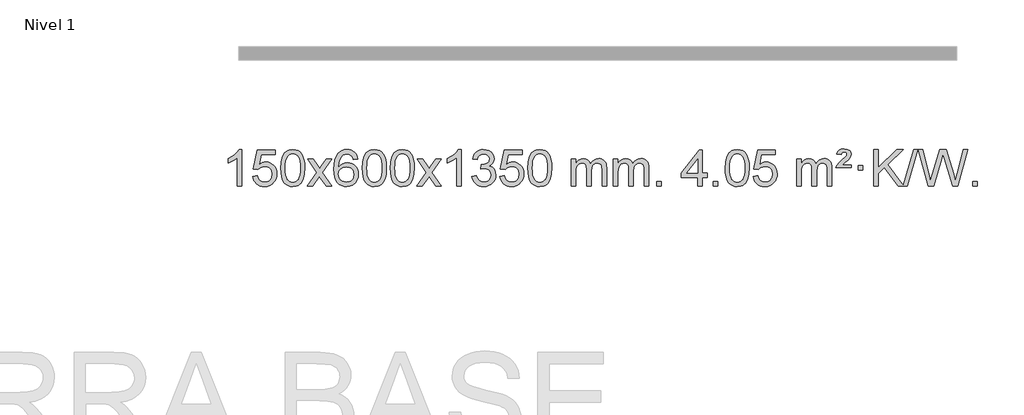
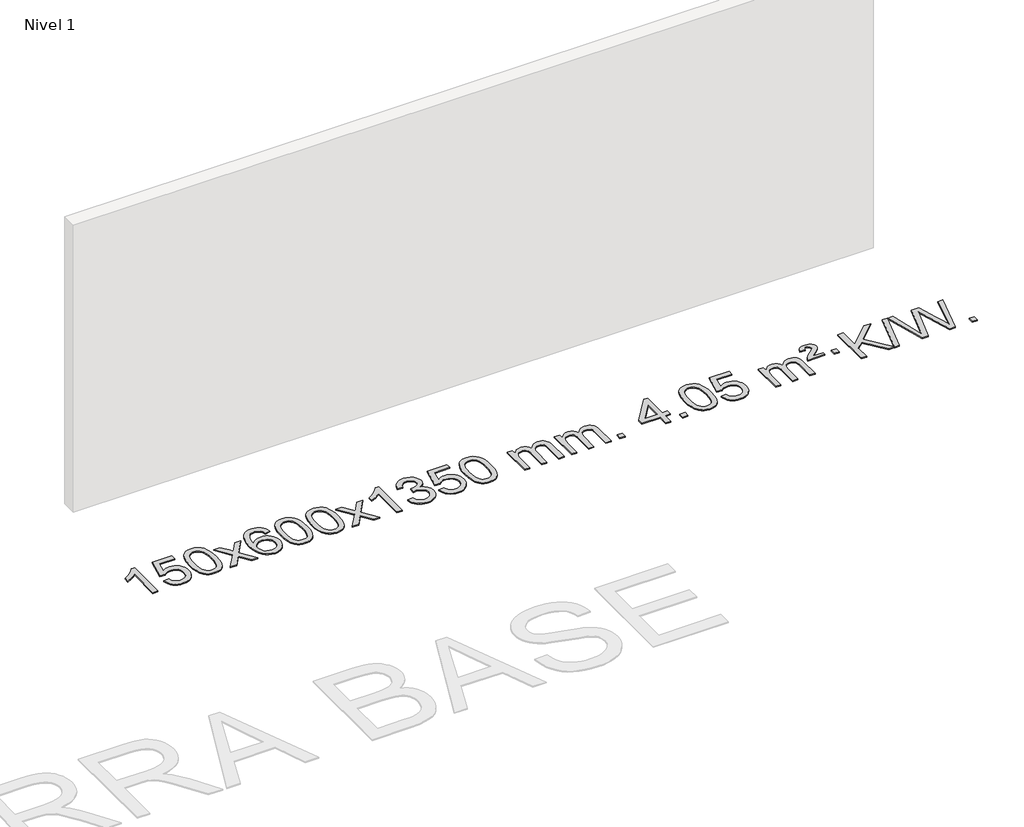
# One storey, part 5 of 21: 1 proxy.
"""IFC4 building model written with IfcOpenShell, lengths in millimetres."""

from ifc_helpers import new_model, si_unit, origin, origin_with_axes, place, context, project, spatial, polyline, outline, extrude, element, save

model = new_model("IFC4")

# Units and contexts
model_context = context("Model", 3, world=origin())
ifc_project = project(units=[si_unit("LENGTHUNIT", "METRE", prefix="MILLI")], contexts=[model_context])

# Site, building, storey
site = spatial("IfcSite", under=ifc_project)
building = spatial("IfcBuilding", under=site)
storey = spatial("IfcBuildingStorey", under=building, Name="Nivel 1", Elevation=0.0)

# Proxy
placement = place(None, origin())
element("IfcBuildingElementProxy", 1, Name="Texto de modelo 1", ObjectType="Texto de modelo 1", at=placement, inside=storey, context=model_context, shape_type="SweptSolid", body=[
    extrude(outline(polyline([(-196.9800865, -42870.579453), (-247.2082415, -42870.579453), (-247.2082415, -42557.4382987), (-268.1775153, -42574.3976587), (-294.7876462, -42591.3324932), (-347.6645517, -42616.6918254), (-347.6645517, -42569.2105225), (-308.2153391, -42547.7507395), (-274.0391017, -42522.219729), (-247.0978769, -42495.0700378), (-229.353702, -42468.7542124), (-196.9800865, -42468.7542124), (-196.9800865, -42870.579453)])), origin_with_axes(), (0.0, 0.0, 1.0), 10.0),
    extrude(outline(polyline([(-77.6882182, -42763.8446235), (-27.4600631, -42757.5661041), (-18.2384877, -42787.7201649), (-2.1497818, -42809.3148381), (20.7324783, -42822.3010725), (50.3347162, -42826.6298173), (69.4645799, -42825.1245668), (86.3381008, -42820.6088153), (100.9552787, -42813.0825628), (113.3161137, -42802.5458094), (123.1446944, -42789.519721), (130.1651091, -42774.5254641), (135.7814409, -42738.6324441), (130.5207284, -42704.8363514), (123.9448377, -42690.9181493), (114.7385908, -42678.9865099), (102.8713308, -42669.4154467), (88.3124008, -42662.5789729), (51.1195311, -42657.1097939), (26.7534803, -42659.2925604), (7.0227426, -42665.8408599), (-8.7348695, -42675.8717757), (-21.1815437, -42688.5023908), (-71.4096988, -42682.2238715), (-27.4600631, -42475.0327318), (167.1740378, -42475.0327318), (167.1740378, -42525.2608869), (13.1541092, -42525.2608869), (-8.3301993, -42635.919791), (9.3955815, -42623.2155994), (27.5505579, -42614.1411769), (46.1347301, -42608.6965234), (65.1480978, -42606.8816388), (89.6091848, -42609.1318504), (112.0775777, -42615.882485), (132.5532764, -42627.1335427), (151.036281, -42642.8850234), (166.3371063, -42662.1743027), (177.2662672, -42684.038756), (183.8237638, -42708.4783832), (186.009596, -42735.4931844), (184.0414273, -42761.5147042), (178.1369213, -42785.7213394), (168.2960779, -42808.1130902), (154.5188972, -42828.6899565), (133.6477253, -42849.7634634), (109.2939373, -42864.8159684), (81.457533, -42873.8474714), (50.1385124, -42876.8579724), (24.2181602, -42874.9235262), (0.8055369, -42869.1201877), (-20.0993575, -42859.447957), (-38.4965229, -42845.9068338), (-53.8034796, -42829.1712688), (-65.4377477, -42809.915712), (-73.3993272, -42788.1401636), (-77.6882182, -42763.8446235)])), origin_with_axes(), (0.0, 0.0, 1.0), 10.0),
    extrude(outline(polyline([(229.9592317, -42672.9041943), (233.6503144, -42608.5861588), (244.7235624, -42557.2911459), (263.0686112, -42518.2343407), (274.9266742, -42503.0009605), (288.5750962, -42490.6309284), (304.0598626, -42481.0598651), (321.4269584, -42474.2233914), (361.8081387, -42468.7542124), (392.7592773, -42471.991574), (420.4730542, -42481.7036586), (443.6496199, -42497.5103217), (460.9891246, -42519.0314184), (474.0857237, -42546.0830078), (484.5335723, -42578.4811488), (491.3761774, -42619.6226186), (493.6570458, -42672.9041943), (490.0027513, -42736.8543477), (479.0398679, -42788.0267333), (460.8051836, -42827.1203266), (448.9747118, -42842.3996922), (435.3354868, -42854.8341036), (419.8323264, -42864.4695462), (402.4100483, -42871.3520052), (361.8081387, -42876.8579724), (334.1434127, -42874.4667394), (309.6179464, -42867.2930405), (288.2317397, -42855.3368757), (269.9847927, -42838.5982449), (252.4736098, -42808.3399508), (239.9656219, -42770.6381776), (232.4608292, -42725.4929255), (229.9592317, -42672.9041943)]), holes=[polyline([(280.1873867, -42672.8060924), (281.6589147, -42716.4706195), (286.0734987, -42751.8148822), (293.4311386, -42778.8388804), (303.7318344, -42797.5426142), (316.1907713, -42810.2682656), (330.0231344, -42819.3580165), (345.2289235, -42824.8118671), (361.8081387, -42826.6298173), (378.387354, -42824.8057357), (393.5931431, -42819.3334911), (407.4255061, -42810.2130833), (419.8844431, -42797.4445124), (430.1851389, -42778.7101217), (437.5427788, -42751.6922549), (441.9573628, -42716.3909118), (443.4288907, -42672.8060924), (442.0064137, -42630.2973278), (437.7389826, -42595.5753989), (430.6265973, -42568.6403055), (420.669258, -42549.4920476), (408.4187875, -42536.1440625), (394.427009, -42526.6097875), (378.6939223, -42520.8892225), (361.2195276, -42518.9823675), (344.7261514, -42520.6623619), (329.7778797, -42525.7023452), (316.3747123, -42534.1023175), (304.5166494, -42545.8622786), (293.872597, -42566.708925), (286.2697024, -42594.8151094), (281.7079657, -42630.1808319), (280.1873867, -42672.8060924)])]), origin_with_axes(), (0.0, 0.0, 1.0), 10.0),
    extrude(outline(polyline([(518.7711234, -42870.579453), (626.0945641, -42722.2494325), (525.0496427, -42575.4890419), (585.4803918, -42575.4890419), (634.2370189, -42646.122385), (656.9966517, -42679.4770192), (676.7151266, -42652.2047007), (732.2407824, -42575.4890419), (792.6715315, -42575.4890419), (686.5253132, -42722.2494325), (788.7474569, -42870.579453), (728.3167078, -42870.579453), (666.8068382, -42781.4048574), (655.5251237, -42765.1199477), (579.2018724, -42870.579453), (518.7711234, -42870.579453)])), origin_with_axes(), (0.0, 0.0, 1.0), 10.0),
    extrude(outline(polyline([(1077.5593486, -42575.4890419), (1027.3311935, -42581.7675613), (1019.2377896, -42556.874213), (1008.2994316, -42539.8780648), (985.5152734, -42524.2062918), (957.9731747, -42518.9823675), (934.6249307, -42522.0235253), (912.6501129, -42531.1469988), (893.7777665, -42550.3627017), (878.3635109, -42576.8134171), (867.9524504, -42614.227016), (864.0896895, -42666.3313693), (884.2373601, -42642.8237098), (908.3826817, -42626.2567573), (935.1767537, -42616.434308), (963.2706754, -42613.1601582), (987.4037343, -42615.398107), (1009.6728577, -42622.1119534), (1030.0780457, -42633.3016975), (1048.6192983, -42648.9673391), (1064.0274225, -42668.1769106), (1075.0332255, -42689.9984443), (1081.6367073, -42714.4319401), (1083.8378679, -42741.4773982), (1079.6930641, -42777.4439945), (1067.2586527, -42810.786366), (1047.5647032, -42839.0642287), (1021.6412853, -42859.8372987), (990.6656213, -42872.602804), (955.8149336, -42876.8579724), (925.8724049, -42874.0375437), (898.8300126, -42865.5762579), (874.6877566, -42851.4741147), (853.4456371, -42831.7311143), (836.1275922, -42805.5133908), (823.7575601, -42771.9870783), (816.3355408, -42731.1521768), (813.8615344, -42683.0086864), (816.6083866, -42629.0342663), (824.8489433, -42582.9693092), (838.5832045, -42544.8138149), (857.8111701, -42514.5677835), (878.6516851, -42494.5243462), (902.8154009, -42480.2076052), (930.3023173, -42471.6175606), (961.1124344, -42468.7542124), (984.2460805, -42470.5261773), (1005.1846974, -42475.8420722), (1023.928285, -42484.7018969), (1040.4768434, -42497.1056515), (1054.3827829, -42512.6364031), (1065.1985135, -42530.8772186), (1072.9240354, -42551.8280983), (1077.5593486, -42575.4890419)]), holes=[polyline([(864.0896895, -42740.6925832), (866.9959573, -42762.9494439), (875.7147605, -42784.2007605), (889.252818, -42802.472233), (906.6168481, -42815.7895612), (927.5738591, -42823.9197533), (951.890859, -42826.6298173), (985.0370268, -42821.0134855), (998.9521632, -42813.9930708), (1011.0953348, -42804.1644901), (1020.9453752, -42791.9262824), (1027.9811183, -42777.6769865), (1033.6097129, -42743.1451299), (1028.0546947, -42709.9989621), (1021.1109221, -42696.3781312), (1011.3896404, -42684.725469), (999.2096806, -42675.3904634), (984.889874, -42668.7226022), (949.8307198, -42663.3883133), (916.733603, -42668.7226022), (889.0566142, -42684.725469), (878.1335847, -42696.2248471), (870.3314207, -42709.3858254), (865.6501223, -42724.2084042), (864.0896895, -42740.6925832)])]), origin_with_axes(), (0.0, 0.0, 1.0), 10.0),
    extrude(outline(polyline([(1127.7875036, -42672.9041943), (1131.4785863, -42608.5861588), (1142.5518344, -42557.2911459), (1160.8968832, -42518.2343407), (1172.7549462, -42503.0009605), (1186.4033682, -42490.6309284), (1201.8881345, -42481.0598651), (1219.2552304, -42474.2233914), (1259.6364107, -42468.7542124), (1290.5875492, -42471.991574), (1318.3013262, -42481.7036586), (1341.4778919, -42497.5103217), (1358.8173966, -42519.0314184), (1371.9139956, -42546.0830078), (1382.3618443, -42578.4811488), (1389.2044494, -42619.6226186), (1391.4853178, -42672.9041943), (1387.8310233, -42736.8543477), (1376.8681398, -42788.0267333), (1358.6334556, -42827.1203266), (1346.8029838, -42842.3996922), (1333.1637588, -42854.8341036), (1317.6605984, -42864.4695462), (1300.2383202, -42871.3520052), (1259.6364107, -42876.8579724), (1231.9716847, -42874.4667394), (1207.4462183, -42867.2930405), (1186.0600117, -42855.3368757), (1167.8130647, -42838.5982449), (1150.3018817, -42808.3399508), (1137.7938939, -42770.6381776), (1130.2891012, -42725.4929255), (1127.7875036, -42672.9041943)]), holes=[polyline([(1178.0156587, -42672.8060924), (1179.4871867, -42716.4706195), (1183.9017706, -42751.8148822), (1191.2594105, -42778.8388804), (1201.5601064, -42797.5426142), (1214.0190433, -42810.2682656), (1227.8514063, -42819.3580165), (1243.0571955, -42824.8118671), (1259.6364107, -42826.6298173), (1276.215626, -42824.8057357), (1291.4214151, -42819.3334911), (1305.2537781, -42810.2130833), (1317.712715, -42797.4445124), (1328.0134109, -42778.7101217), (1335.3710508, -42751.6922549), (1339.7856347, -42716.3909118), (1341.2571627, -42672.8060924), (1339.8346857, -42630.2973278), (1335.5672545, -42595.5753989), (1328.4548693, -42568.6403055), (1318.4975299, -42549.4920476), (1306.2470595, -42536.1440625), (1292.2552809, -42526.6097875), (1276.5221943, -42520.8892225), (1259.0477995, -42518.9823675), (1242.5544234, -42520.6623619), (1227.6061517, -42525.7023452), (1214.2029843, -42534.1023175), (1202.3449213, -42545.8622786), (1191.7008689, -42566.708925), (1184.0979744, -42594.8151094), (1179.5362376, -42630.1808319), (1178.0156587, -42672.8060924)])]), origin_with_axes(), (0.0, 0.0, 1.0), 10.0),
    extrude(outline(polyline([(1435.4349535, -42672.9041943), (1439.1260362, -42608.5861588), (1450.1992842, -42557.2911459), (1468.544333, -42518.2343407), (1480.402396, -42503.0009605), (1494.050818, -42490.6309284), (1509.5355843, -42481.0598651), (1526.9026802, -42474.2233914), (1567.2838605, -42468.7542124), (1598.2349991, -42471.991574), (1625.948776, -42481.7036586), (1649.1253417, -42497.5103217), (1666.4648464, -42519.0314184), (1679.5614455, -42546.0830078), (1690.0092941, -42578.4811488), (1696.8518992, -42619.6226186), (1699.1327676, -42672.9041943), (1695.4784731, -42736.8543477), (1684.5155897, -42788.0267333), (1666.2809054, -42827.1203266), (1654.4504336, -42842.3996922), (1640.8112086, -42854.8341036), (1625.3080482, -42864.4695462), (1607.8857701, -42871.3520052), (1567.2838605, -42876.8579724), (1539.6191345, -42874.4667394), (1515.0936682, -42867.2930405), (1493.7074615, -42855.3368757), (1475.4605145, -42838.5982449), (1457.9493316, -42808.3399508), (1445.4413437, -42770.6381776), (1437.936551, -42725.4929255), (1435.4349535, -42672.9041943)]), holes=[polyline([(1485.6631085, -42672.8060924), (1487.1346365, -42716.4706195), (1491.5492205, -42751.8148822), (1498.9068604, -42778.8388804), (1509.2075562, -42797.5426142), (1521.6664931, -42810.2682656), (1535.4988562, -42819.3580165), (1550.7046453, -42824.8118671), (1567.2838605, -42826.6298173), (1583.8630758, -42824.8057357), (1599.0688649, -42819.3334911), (1612.9012279, -42810.2130833), (1625.3601648, -42797.4445124), (1635.6608607, -42778.7101217), (1643.0185006, -42751.6922549), (1647.4330846, -42716.3909118), (1648.9046125, -42672.8060924), (1647.4821355, -42630.2973278), (1643.2147043, -42595.5753989), (1636.1023191, -42568.6403055), (1626.1449798, -42549.4920476), (1613.8945093, -42536.1440625), (1599.9027308, -42526.6097875), (1584.1696441, -42520.8892225), (1566.6952493, -42518.9823675), (1550.2018732, -42520.6623619), (1535.2536015, -42525.7023452), (1521.8504341, -42534.1023175), (1509.9923712, -42545.8622786), (1499.3483188, -42566.708925), (1491.7454242, -42594.8151094), (1487.1836875, -42630.1808319), (1485.6631085, -42672.8060924)])]), origin_with_axes(), (0.0, 0.0, 1.0), 10.0),
    extrude(outline(polyline([(1724.2468452, -42870.579453), (1831.5702859, -42722.2494325), (1730.5253645, -42575.4890419), (1790.9561136, -42575.4890419), (1839.7127407, -42646.122385), (1862.4723735, -42679.4770192), (1882.1908484, -42652.2047007), (1937.7165042, -42575.4890419), (1998.1472533, -42575.4890419), (1892.001035, -42722.2494325), (1994.2231787, -42870.579453), (1933.7924296, -42870.579453), (1872.28256, -42781.4048574), (1861.0008455, -42765.1199477), (1784.6775942, -42870.579453), (1724.2468452, -42870.579453)])), origin_with_axes(), (0.0, 0.0, 1.0), 10.0),
    extrude(outline(polyline([(2213.9713571, -42870.579453), (2163.7432021, -42870.579453), (2163.7432021, -42557.4382987), (2142.7739283, -42574.3976587), (2116.1637973, -42591.3324932), (2063.2868919, -42616.6918254), (2063.2868919, -42569.2105225), (2102.7361045, -42547.7507395), (2136.9123419, -42522.219729), (2163.8535667, -42495.0700378), (2181.5977416, -42468.7542124), (2213.9713571, -42468.7542124), (2213.9713571, -42870.579453)])), origin_with_axes(), (0.0, 0.0, 1.0), 10.0),
    extrude(outline(polyline([(2333.2632254, -42763.8446235), (2383.4913805, -42757.5661041), (2394.7363068, -42789.1303793), (2411.2051575, -42810.4430095), (2433.7072728, -42822.5831154), (2463.0519933, -42826.6298173), (2497.4857481, -42821.0625364), (2511.7595695, -42814.1034354), (2524.0713536, -42804.3606939), (2541.0675018, -42779.4428201), (2546.7328845, -42749.2274455), (2541.1165527, -42720.5449126), (2524.2675573, -42697.2825078), (2498.7610723, -42681.8682522), (2467.1722717, -42676.730167), (2431.953702, -42682.2238715), (2437.5455083, -42631.9957164), (2445.5898613, -42632.5843276), (2475.6826085, -42628.979084), (2502.5870451, -42618.1633534), (2513.6602931, -42609.9841103), (2521.569756, -42599.8673555), (2526.3154338, -42587.8130888), (2527.8973263, -42573.8213102), (2523.3110641, -42552.1285352), (2509.5522775, -42534.5315131), (2488.5584783, -42522.8696539), (2462.2671784, -42518.9823675), (2435.9268276, -42522.9064421), (2414.3934681, -42534.6786659), (2398.6726442, -42554.299039), (2389.7698999, -42581.7675613), (2339.5417448, -42575.4890419), (2345.4953018, -42551.5092672), (2354.330601, -42530.3867093), (2366.0476426, -42512.1213683), (2380.6464264, -42496.713244), (2397.6671001, -42484.4811677), (2416.649811, -42475.7439703), (2437.5945593, -42470.5016519), (2460.5013448, -42468.7542124), (2492.0778827, -42472.2000404), (2521.0792467, -42482.5375245), (2545.5311366, -42498.8469596), (2563.4592525, -42520.2086408), (2574.4589242, -42544.8199463), (2578.1254814, -42570.8782543), (2574.6428652, -42595.1584659), (2564.1950165, -42617.1823347), (2546.9290882, -42635.9443165), (2522.9922331, -42650.4388671), (2554.4338809, -42663.1430586), (2577.733074, -42684.77452), (2592.1540482, -42714.1560286), (2596.9610396, -42750.1103623), (2594.5575439, -42775.5923218), (2587.3470568, -42799.0631931), (2575.3295783, -42820.5229762), (2558.5051083, -42839.971671), (2538.0079498, -42856.1094278), (2514.9724056, -42867.636397), (2489.3984756, -42874.5525785), (2461.2861598, -42876.8579724), (2435.8777766, -42874.8898037), (2412.7257364, -42868.9852977), (2391.8300391, -42859.1444543), (2373.1906846, -42845.3672736), (2357.5618312, -42828.4630959), (2345.6976369, -42809.2412617), (2337.5981016, -42787.7017708), (2333.2632254, -42763.8446235)])), origin_with_axes(), (0.0, 0.0, 1.0), 10.0),
    extrude(outline(polyline([(2640.9106753, -42763.8446235), (2691.1388303, -42757.5661041), (2700.3604057, -42787.7201649), (2716.4491116, -42809.3148381), (2739.3313717, -42822.3010725), (2768.9336096, -42826.6298173), (2788.0634733, -42825.1245668), (2804.9369942, -42820.6088153), (2819.5541721, -42813.0825628), (2831.9150072, -42802.5458094), (2841.7435878, -42789.519721), (2848.7640025, -42774.5254641), (2854.3803343, -42738.6324441), (2849.1196218, -42704.8363514), (2842.5437311, -42690.9181493), (2833.3374842, -42678.9865099), (2821.4702242, -42669.4154467), (2806.9112942, -42662.5789729), (2769.7184245, -42657.1097939), (2745.3523737, -42659.2925604), (2725.621636, -42665.8408599), (2709.8640239, -42675.8717757), (2697.4173497, -42688.5023908), (2647.1891946, -42682.2238715), (2691.1388303, -42475.0327318), (2885.7729313, -42475.0327318), (2885.7729313, -42525.2608869), (2731.7530026, -42525.2608869), (2710.2686941, -42635.919791), (2727.9944749, -42623.2155994), (2746.1494514, -42614.1411769), (2764.7336235, -42608.6965234), (2783.7469913, -42606.8816388), (2808.2080783, -42609.1318504), (2830.6764711, -42615.882485), (2851.1521698, -42627.1335427), (2869.6351744, -42642.8850234), (2884.9359997, -42662.1743027), (2895.8651607, -42684.038756), (2902.4226572, -42708.4783832), (2904.6084894, -42735.4931844), (2902.6403207, -42761.5147042), (2896.7358147, -42785.7213394), (2886.8949713, -42808.1130902), (2873.1177906, -42828.6899565), (2852.2466188, -42849.7634634), (2827.8928307, -42864.8159684), (2800.0564264, -42873.8474714), (2768.7374059, -42876.8579724), (2742.8170536, -42874.9235262), (2719.4044303, -42869.1201877), (2698.4995359, -42859.447957), (2680.1023705, -42845.9068338), (2664.7954138, -42829.1712688), (2653.1611457, -42809.915712), (2645.1995662, -42788.1401636), (2640.9106753, -42763.8446235)])), origin_with_axes(), (0.0, 0.0, 1.0), 10.0),
    extrude(outline(polyline([(2948.5581251, -42672.9041943), (2952.2492078, -42608.5861588), (2963.3224558, -42557.2911459), (2981.6675047, -42518.2343407), (2993.5255676, -42503.0009605), (3007.1739897, -42490.6309284), (3022.658756, -42481.0598651), (3040.0258518, -42474.2233914), (3080.4070322, -42468.7542124), (3111.3581707, -42471.991574), (3139.0719477, -42481.7036586), (3162.2485134, -42497.5103217), (3179.5880181, -42519.0314184), (3192.6846171, -42546.0830078), (3203.1324658, -42578.4811488), (3209.9750709, -42619.6226186), (3212.2559392, -42672.9041943), (3208.6016448, -42736.8543477), (3197.6387613, -42788.0267333), (3179.4040771, -42827.1203266), (3167.5736052, -42842.3996922), (3153.9343803, -42854.8341036), (3138.4312199, -42864.4695462), (3121.0089417, -42871.3520052), (3080.4070322, -42876.8579724), (3052.7423061, -42874.4667394), (3028.2168398, -42867.2930405), (3006.8306331, -42855.3368757), (2988.5836862, -42838.5982449), (2971.0725032, -42808.3399508), (2958.5645154, -42770.6381776), (2951.0597227, -42725.4929255), (2948.5581251, -42672.9041943)]), holes=[polyline([(2998.7862802, -42672.8060924), (3000.2578082, -42716.4706195), (3004.6723921, -42751.8148822), (3012.030032, -42778.8388804), (3022.3307279, -42797.5426142), (3034.7896648, -42810.2682656), (3048.6220278, -42819.3580165), (3063.8278169, -42824.8118671), (3080.4070322, -42826.6298173), (3096.9862474, -42824.8057357), (3112.1920366, -42819.3334911), (3126.0243996, -42810.2130833), (3138.4833365, -42797.4445124), (3148.7840323, -42778.7101217), (3156.1416722, -42751.6922549), (3160.5562562, -42716.3909118), (3162.0277842, -42672.8060924), (3160.6053071, -42630.2973278), (3156.337876, -42595.5753989), (3149.2254907, -42568.6403055), (3139.2681514, -42549.4920476), (3127.017681, -42536.1440625), (3113.0259024, -42526.6097875), (3097.2928157, -42520.8892225), (3079.818421, -42518.9823675), (3063.3250449, -42520.6623619), (3048.3767731, -42525.7023452), (3034.9736058, -42534.1023175), (3023.1155428, -42545.8622786), (3012.4714904, -42566.708925), (3004.8685958, -42594.8151094), (3000.3068591, -42630.1808319), (2998.7862802, -42672.8060924)])]), origin_with_axes(), (0.0, 0.0, 1.0), 10.0),
    extrude(outline(polyline([(3425.7255983, -42870.579453), (3425.7255983, -42575.4890419), (3475.9537534, -42575.4890419), (3475.9537534, -42624.0494653), (3491.0614407, -42601.7435537), (3510.48561, -42584.2691589), (3533.5640738, -42572.9751816), (3559.6346446, -42569.2105225), (3587.5691507, -42573.048758), (3609.9609015, -42584.5634645), (3626.6872695, -42602.9943524), (3637.6256275, -42627.5811324), (3655.9338882, -42602.0439906), (3676.8173228, -42583.803175), (3700.2759313, -42572.8586857), (3726.3097138, -42569.2105225), (3746.4175306, -42570.7280358), (3764.0666693, -42575.2805755), (3779.25713, -42582.8681416), (3791.9889127, -42593.4907342), (3802.053551, -42607.2709806), (3809.2425783, -42624.3315082), (3813.5559947, -42644.6723168), (3814.9938001, -42668.2934066), (3814.9938001, -42870.579453), (3764.7656451, -42870.579453), (3764.7656451, -42689.875817), (3763.6006854, -42664.8230531), (3760.1058065, -42647.9372695), (3753.5575069, -42636.3735121), (3743.2322856, -42627.2868268), (3729.9517456, -42621.4007149), (3714.53749, -42619.4386776), (3687.3264851, -42624.4663982), (3665.1432008, -42639.54956), (3656.5378278, -42651.1194488), (3650.3911328, -42665.7182326), (3645.4737768, -42704.0024856), (3645.4737768, -42870.579453), (3595.2456217, -42870.579453), (3595.2456217, -42684.2840106), (3592.3393539, -42655.8835206), (3583.6205506, -42635.6254854), (3568.2798714, -42623.4853796), (3545.5079759, -42619.4386776), (3526.157383, -42622.1364789), (3508.327369, -42630.2298828), (3493.6120892, -42643.5226856), (3483.6056989, -42661.8186835), (3477.8667398, -42687.2025411), (3475.9537534, -42721.7589232), (3475.9537534, -42870.579453), (3425.7255983, -42870.579453)])), origin_with_axes(), (0.0, 0.0, 1.0), 10.0),
    extrude(outline(polyline([(3890.3360328, -42870.579453), (3890.3360328, -42575.4890419), (3940.5641878, -42575.4890419), (3940.5641878, -42624.0494653), (3955.6718751, -42601.7435537), (3975.0960444, -42584.2691589), (3998.1745083, -42572.9751816), (4024.245079, -42569.2105225), (4052.1795852, -42573.048758), (4074.5713359, -42584.5634645), (4091.297704, -42602.9943524), (4102.236062, -42627.5811324), (4120.5443226, -42602.0439906), (4141.4277572, -42583.803175), (4164.8863658, -42572.8586857), (4190.9201483, -42569.2105225), (4211.027965, -42570.7280358), (4228.6771037, -42575.2805755), (4243.8675644, -42582.8681416), (4256.5993471, -42593.4907342), (4266.6639854, -42607.2709806), (4273.8530127, -42624.3315082), (4278.1664291, -42644.6723168), (4279.6042346, -42668.2934066), (4279.6042346, -42870.579453), (4229.3760795, -42870.579453), (4229.3760795, -42689.875817), (4228.2111199, -42664.8230531), (4224.7162409, -42647.9372695), (4218.1679414, -42636.3735121), (4207.8427201, -42627.2868268), (4194.56218, -42621.4007149), (4179.1479244, -42619.4386776), (4151.9369195, -42624.4663982), (4129.7536352, -42639.54956), (4121.1482622, -42651.1194488), (4115.0015672, -42665.7182326), (4110.0842112, -42704.0024856), (4110.0842112, -42870.579453), (4059.8560561, -42870.579453), (4059.8560561, -42684.2840106), (4056.9497884, -42655.8835206), (4048.2309851, -42635.6254854), (4032.8903059, -42623.4853796), (4010.1184104, -42619.4386776), (3990.7678174, -42622.1364789), (3972.9378034, -42630.2298828), (3958.2225236, -42643.5226856), (3948.2161333, -42661.8186835), (3942.4771742, -42687.2025411), (3940.5641878, -42721.7589232), (3940.5641878, -42870.579453), (3890.3360328, -42870.579453)])), origin_with_axes(), (0.0, 0.0, 1.0), 10.0),
    extrude(outline(polyline([(4367.503506, -42870.579453), (4367.503506, -42820.3512979), (4417.731661, -42820.3512979), (4417.731661, -42870.579453), (4367.503506, -42870.579453)])), origin_with_axes(), (0.0, 0.0, 1.0), 10.0),
    extrude(outline(polyline([(4819.5569016, -42870.579453), (4819.5569016, -42776.4016622), (4637.4798395, -42776.4016622), (4637.4798395, -42726.1735072), (4832.1139404, -42475.0327318), (4869.7850567, -42475.0327318), (4869.7850567, -42726.1735072), (4920.0132118, -42726.1735072), (4920.0132118, -42776.4016622), (4869.7850567, -42776.4016622), (4869.7850567, -42870.579453), (4819.5569016, -42870.579453)]), holes=[polyline([(4819.5569016, -42726.1735072), (4819.5569016, -42570.9763561), (4699.2840147, -42726.1735072), (4819.5569016, -42726.1735072)])]), origin_with_axes(), (0.0, 0.0, 1.0), 10.0),
    extrude(outline(polyline([(4989.076925, -42870.579453), (4989.076925, -42820.3512979), (5039.3050801, -42820.3512979), (5039.3050801, -42870.579453), (4989.076925, -42870.579453)])), origin_with_axes(), (0.0, 0.0, 1.0), 10.0),
    extrude(outline(polyline([(5120.9258321, -42672.9041943), (5124.6169148, -42608.5861588), (5135.6901628, -42557.2911459), (5154.0352116, -42518.2343407), (5165.8932746, -42503.0009605), (5179.5416966, -42490.6309284), (5195.026463, -42481.0598651), (5212.3935588, -42474.2233914), (5252.7747392, -42468.7542124), (5283.7258777, -42471.991574), (5311.4396547, -42481.7036586), (5334.6162203, -42497.5103217), (5351.9557251, -42519.0314184), (5365.0523241, -42546.0830078), (5375.5001727, -42578.4811488), (5382.3427779, -42619.6226186), (5384.6236462, -42672.9041943), (5380.9693517, -42736.8543477), (5370.0064683, -42788.0267333), (5351.7717841, -42827.1203266), (5339.9413122, -42842.3996922), (5326.3020873, -42854.8341036), (5310.7989268, -42864.4695462), (5293.3766487, -42871.3520052), (5252.7747392, -42876.8579724), (5225.1100131, -42874.4667394), (5200.5845468, -42867.2930405), (5179.1983401, -42855.3368757), (5160.9513932, -42838.5982449), (5143.4402102, -42808.3399508), (5130.9322224, -42770.6381776), (5123.4274297, -42725.4929255), (5120.9258321, -42672.9041943)]), holes=[polyline([(5171.1539872, -42672.8060924), (5172.6255151, -42716.4706195), (5177.0400991, -42751.8148822), (5184.397739, -42778.8388804), (5194.6984348, -42797.5426142), (5207.1573718, -42810.2682656), (5220.9897348, -42819.3580165), (5236.1955239, -42824.8118671), (5252.7747392, -42826.6298173), (5269.3539544, -42824.8057357), (5284.5597435, -42819.3334911), (5298.3921066, -42810.2130833), (5310.8510435, -42797.4445124), (5321.1517393, -42778.7101217), (5328.5093792, -42751.6922549), (5332.9239632, -42716.3909118), (5334.3954912, -42672.8060924), (5332.9730141, -42630.2973278), (5328.705583, -42595.5753989), (5321.5931977, -42568.6403055), (5311.6358584, -42549.4920476), (5299.3853879, -42536.1440625), (5285.3936094, -42526.6097875), (5269.6605227, -42520.8892225), (5252.186128, -42518.9823675), (5235.6927518, -42520.6623619), (5220.7444801, -42525.7023452), (5207.3413128, -42534.1023175), (5195.4832498, -42545.8622786), (5184.8391974, -42566.708925), (5177.2363028, -42594.8151094), (5172.6745661, -42630.1808319), (5171.1539872, -42672.8060924)])]), origin_with_axes(), (0.0, 0.0, 1.0), 10.0),
    extrude(outline(polyline([(5428.5732819, -42763.8446235), (5478.801437, -42757.5661041), (5488.0230123, -42787.7201649), (5504.1117183, -42809.3148381), (5526.9939784, -42822.3010725), (5556.5962162, -42826.6298173), (5575.72608, -42825.1245668), (5592.5996008, -42820.6088153), (5607.2167788, -42813.0825628), (5619.5776138, -42802.5458094), (5629.4061945, -42789.519721), (5636.4266092, -42774.5254641), (5642.042941, -42738.6324441), (5636.7822285, -42704.8363514), (5630.2063378, -42690.9181493), (5621.0000909, -42678.9865099), (5609.1328308, -42669.4154467), (5594.5739009, -42662.5789729), (5557.3810312, -42657.1097939), (5533.0149803, -42659.2925604), (5513.2842427, -42665.8408599), (5497.5266305, -42675.8717757), (5485.0799564, -42688.5023908), (5434.8518013, -42682.2238715), (5478.801437, -42475.0327318), (5673.4355379, -42475.0327318), (5673.4355379, -42525.2608869), (5519.4156093, -42525.2608869), (5497.9313007, -42635.919791), (5515.6570815, -42623.2155994), (5533.812058, -42614.1411769), (5552.3962301, -42608.6965234), (5571.4095979, -42606.8816388), (5595.8706849, -42609.1318504), (5618.3390778, -42615.882485), (5638.8147765, -42627.1335427), (5657.2977811, -42642.8850234), (5672.5986064, -42662.1743027), (5683.5277673, -42684.038756), (5690.0852639, -42708.4783832), (5692.2710961, -42735.4931844), (5690.3029274, -42761.5147042), (5684.3984214, -42785.7213394), (5674.557578, -42808.1130902), (5660.7803973, -42828.6899565), (5639.9092254, -42849.7634634), (5615.5554373, -42864.8159684), (5587.719033, -42873.8474714), (5556.4000125, -42876.8579724), (5530.4796603, -42874.9235262), (5507.067037, -42869.1201877), (5486.1621426, -42859.447957), (5467.7649771, -42845.9068338), (5452.4580205, -42829.1712688), (5440.8237524, -42809.915712), (5432.8621728, -42788.1401636), (5428.5732819, -42763.8446235)])), origin_with_axes(), (0.0, 0.0, 1.0), 10.0),
    extrude(outline(polyline([(5905.7407551, -42870.579453), (5905.7407551, -42575.4890419), (5955.9689102, -42575.4890419), (5955.9689102, -42624.0494653), (5971.0765975, -42601.7435537), (5990.5007668, -42584.2691589), (6013.5792306, -42572.9751816), (6039.6498014, -42569.2105225), (6067.5843075, -42573.048758), (6089.9760583, -42584.5634645), (6106.7024264, -42602.9943524), (6117.6407843, -42627.5811324), (6135.949045, -42602.0439906), (6156.8324796, -42583.803175), (6180.2910881, -42572.8586857), (6206.3248707, -42569.2105225), (6226.4326874, -42570.7280358), (6244.0818261, -42575.2805755), (6259.2722868, -42582.8681416), (6272.0040695, -42593.4907342), (6282.0687078, -42607.2709806), (6289.2577351, -42624.3315082), (6293.5711515, -42644.6723168), (6295.008957, -42668.2934066), (6295.008957, -42870.579453), (6244.7808019, -42870.579453), (6244.7808019, -42689.875817), (6243.6158422, -42664.8230531), (6240.1209633, -42647.9372695), (6233.5726638, -42636.3735121), (6223.2474424, -42627.2868268), (6209.9669024, -42621.4007149), (6194.5526468, -42619.4386776), (6167.3416419, -42624.4663982), (6145.1583576, -42639.54956), (6136.5529846, -42651.1194488), (6130.4062896, -42665.7182326), (6125.4889336, -42704.0024856), (6125.4889336, -42870.579453), (6075.2607785, -42870.579453), (6075.2607785, -42684.2840106), (6072.3545107, -42655.8835206), (6063.6357075, -42635.6254854), (6048.2950283, -42623.4853796), (6025.5231328, -42619.4386776), (6006.1725398, -42622.1364789), (5988.3425258, -42630.2298828), (5973.627246, -42643.5226856), (5963.6208557, -42661.8186835), (5957.8818966, -42687.2025411), (5955.9689102, -42721.7589232), (5955.9689102, -42870.579453), (5905.7407551, -42870.579453)])), origin_with_axes(), (0.0, 0.0, 1.0), 10.0),
    extrude(outline(polyline([(6338.9585926, -42669.6668327), (6342.7845654, -42653.8479069), (6351.123224, -42637.9799302), (6372.6320579, -42612.8413272), (6404.5887406, -42585.1030247), (6448.73458, -42547.726214), (6455.8714907, -42536.1992448), (6458.250461, -42524.3779701), (6456.362, -42512.2869152), (6450.6966173, -42502.5012541), (6441.3278892, -42496.026531), (6428.329392, -42493.8682899), (6415.8949806, -42495.4869707), (6407.0412872, -42500.343013), (6400.615615, -42509.8098431), (6395.4652671, -42525.2608869), (6345.237112, -42518.9823675), (6356.0773682, -42493.7701881), (6372.7056343, -42476.2099542), (6396.4708112, -42465.9092583), (6428.7217995, -42462.475693), (6464.5044549, -42466.6082341), (6489.2506504, -42479.0058573), (6503.6716246, -42497.3386434), (6508.478616, -42519.2766731), (6504.3828631, -42542.1834586), (6492.0956045, -42563.8149199), (6471.5677892, -42583.6314968), (6435.0984207, -42611.6886303), (6409.4938339, -42638.2742358), (6508.478616, -42638.2742358), (6508.478616, -42669.6668327), (6338.9585926, -42669.6668327)])), origin_with_axes(), (0.0, 0.0, 1.0), 10.0),
    extrude(outline(polyline([(6583.8208486, -42694.7809102), (6583.8208486, -42644.5527552), (6634.0490037, -42644.5527552), (6634.0490037, -42694.7809102), (6583.8208486, -42694.7809102)])), origin_with_axes(), (0.0, 0.0, 1.0), 10.0),
    extrude(outline(polyline([(7024.6906317, -42870.579453), (6871.2593142, -42667.9009991), (6803.5690271, -42732.4520265), (6803.5690271, -42870.579453), (6753.340872, -42870.579453), (6753.340872, -42468.7542124), (6803.5690271, -42468.7542124), (6803.5690271, -42665.4484525), (7009.5829444, -42468.7542124), (7079.82388, -42468.7542124), (6906.8702913, -42633.9577537), (7081.5239012, -42864.5349332), (7192.8372289, -42468.7542124), (7238.1602907, -42468.7542124), (7125.1469418, -42870.579453), (7086.1023994, -42870.579453), (7079.82388, -42870.579453), (7024.6906317, -42870.579453)])), origin_with_axes(), (0.0, 0.0, 1.0), 10.0),
    extrude(outline(polyline([(7352.6451676, -42870.579453), (7243.065384, -42468.7542124), (7294.8631689, -42468.7542124), (7358.4331777, -42732.844434), (7378.0535508, -42814.3670841), (7399.0473499, -42742.2622131), (7478.7060646, -42468.7542124), (7553.3615842, -42468.7542124), (7611.2416848, -42667.0180823), (7636.0369312, -42740.5944814), (7654.3084037, -42814.3670841), (7673.3401656, -42735.1988788), (7737.4987855, -42468.7542124), (7789.2965704, -42468.7542124), (7679.6186849, -42870.579453), (7625.9569646, -42870.579453), (7529.6209328, -42560.5775584), (7516.1809772, -42517.3146358), (7501.0732899, -42569.4067263), (7413.2721204, -42870.579453), (7352.6451676, -42870.579453)])), origin_with_axes(), (0.0, 0.0, 1.0), 10.0),
    extrude(outline(polyline([(7845.8032449, -42870.579453), (7845.8032449, -42820.3512979), (7896.0314, -42820.3512979), (7896.0314, -42870.579453), (7845.8032449, -42870.579453)])), origin_with_axes(), (0.0, 0.0, 1.0), 10.0),
])

save(model, "model.ifc")
